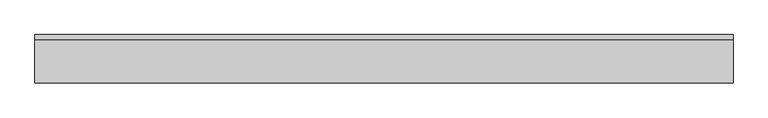
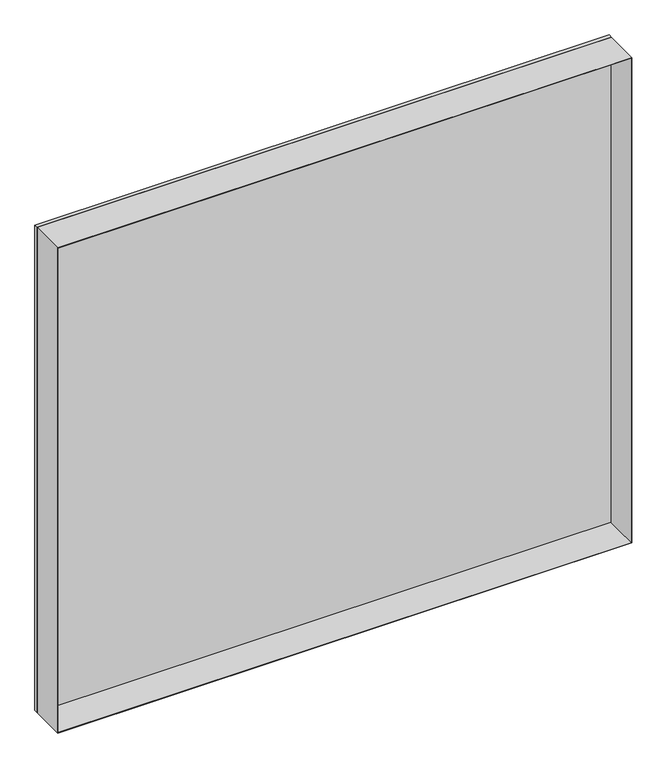
"""IFC4 building model written with IfcOpenShell, lengths in millimetres: plate geometry."""

from ifc_helpers import new_model, si_unit, frame, origin, origin_with_axes, place, context, project, spatial, polyline, outline, extrude, source, transform, mapped, element, save


def plate_d921da55(model_context):
    return source(origin(), model_context, "Body", "SweptSolid", [
        extrude(outline(polyline([(964.75, -539.6875001), (0.0, -539.6875001), (0.0, 539.6875001), (964.75, 539.6875001), (964.75, -539.6875001)]), holes=[polyline([(963.75, -538.6875001), (963.75, 538.6875001), (1.0, 538.6875001), (1.0, -538.6875001), (963.75, -538.6875001)])]), frame((0.0, -37.2, 0.0), z_axis=(0.0, 1.0, 0.0), x_axis=(0.0, 0.0, 1.0)), (0.0, 0.0, 1.0), 66.4),
        extrude(outline(polyline([(539.6875001, 29.2), (-539.6875001, 29.2), (-539.6875001, 37.2), (539.6875001, 37.2), (539.6875001, 29.2)])), origin_with_axes(), (0.0, 0.0, 1.0), 964.75),
    ])


if __name__ == "__main__":
    model = new_model("IFC4")
    model_context = context("Model", 3, world=origin())
    ifc_project = project(units=[si_unit("LENGTHUNIT", "METRE", prefix="MILLI")], contexts=[model_context])
    site = spatial("IfcSite", under=ifc_project)
    building = spatial("IfcBuilding", under=site)
    placement = place(None, origin())
    plate_shape = plate_d921da55(model_context)
    element("IfcPlate", 1, at=placement, inside=building, context=model_context, shape_type="MappedRepresentation", body=[
        mapped(plate_shape, transform((0.0, 0.0, 0.0), x_axis=(1.0, 0.0, 0.0), y_axis=(0.0, 1.0, 0.0), z_axis=(0.0, 0.0, 1.0))),
    ])
    save(model, "model.ifc")
